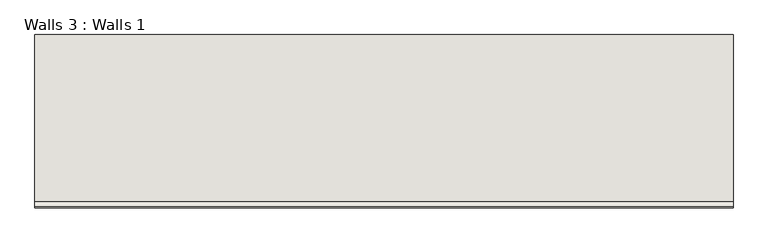
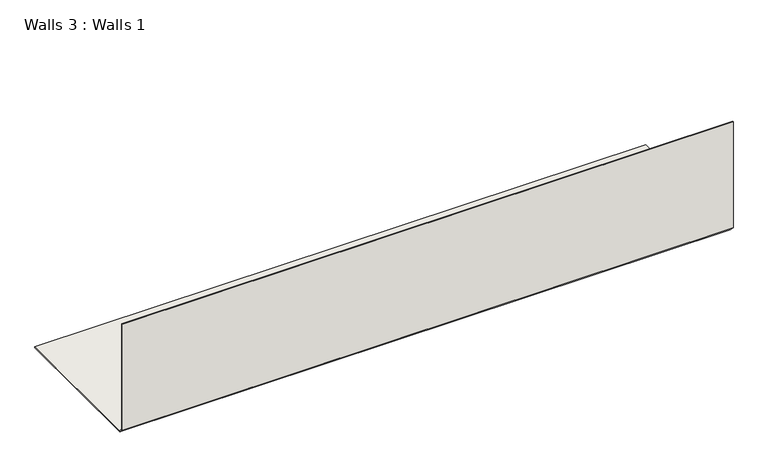
"""IFC4 building model written with IfcOpenShell, lengths in millimetres: wall geometry, Walls 3 : Walls 1."""

from ifc_helpers import new_model, si_unit, frame, origin, place, context, project, spatial, polyline, outline, extrude, source, transform, mapped, element, save


def walls_3_walls_1_297464ff(model_context):
    return source(origin(), model_context, "Body", "SweptSolid", [
        extrude(outline(polyline([(5253.8943472, 19.05), (5253.8943472, 457.2), (5257.0693472, 457.2), (5257.0693472, 20.3651281), (5274.2594753, 3.175), (5846.4949029, 3.175), (5846.4949029, 0.0), (5272.9443472, 0.0), (5253.8943472, 19.05)])), frame((-3151.0984529, 0.0, 0.0), z_axis=(1.0, 0.0, 0.0), x_axis=(0.0, 1.0, 0.0)), (0.0, 0.0, 1.0), 2387.6),
    ])


if __name__ == "__main__":
    model = new_model("IFC4")
    model_context = context("Model", 3, world=origin())
    ifc_project = project(units=[si_unit("LENGTHUNIT", "METRE", prefix="MILLI")], contexts=[model_context])
    site = spatial("IfcSite", under=ifc_project)
    building = spatial("IfcBuilding", under=site)
    placement = place(None, origin())
    walls_3_walls_1_shape = walls_3_walls_1_297464ff(model_context)
    element("IfcWall", 1, ObjectType="Walls 3 : Walls 1", at=placement, inside=building, context=model_context, shape_type="MappedRepresentation", body=[
        mapped(walls_3_walls_1_shape, transform((0.0, 0.0, 0.0), x_axis=(1.0, 0.0, 0.0), y_axis=(0.0, 1.0, 0.0), z_axis=(0.0, 0.0, 1.0))),
    ])
    save(model, "model.ifc")
